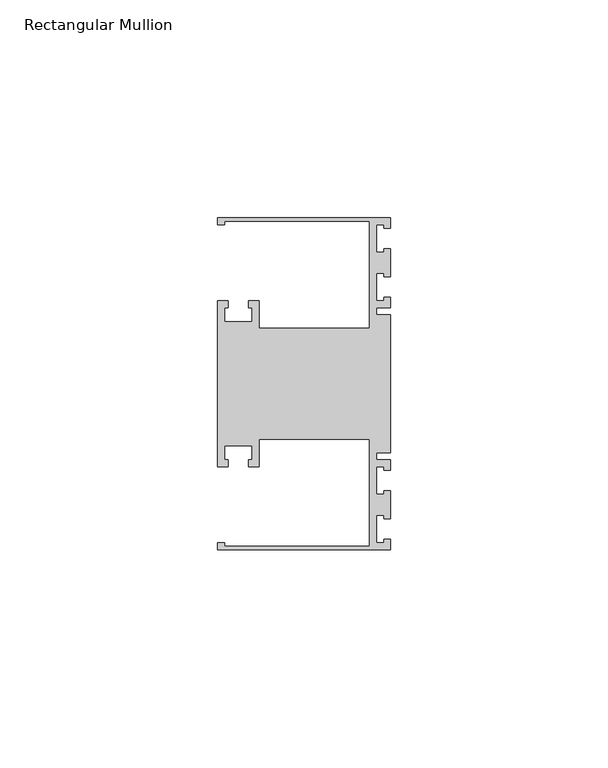
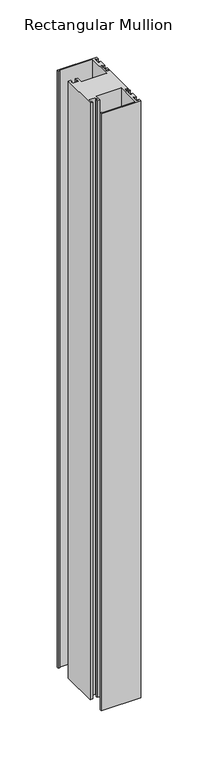
"""IFC4 building model written with IfcOpenShell, lengths in millimetres: member geometry, Rectangular Mullion."""

from ifc_helpers import new_model, si_unit, frame, origin, place, context, project, spatial, polyline, outline, extrude, source, transform, mapped, element, save


def rectangular_mullion_6b3e6c32(model_context):
    return source(origin(), model_context, "Body", "SweptSolid", [
        extrude(outline(polyline([(0.0, -38.1), (-39.6875, -38.1), (-39.6875, -36.5125), (-38.1, -36.5125), (-38.1, -37.30625), (-4.8585733, -37.30625), (-4.8585733, -12.6999969), (-30.1625, -12.6999969), (-30.1625, -19.05), (-32.54375, -19.05), (-32.54375, -17.4625), (-31.75, -17.4625), (-31.75, -14.2875), (-38.1, -14.2875), (-38.1, -17.4625), (-37.30625, -17.4625), (-37.30625, -19.05), (-39.6875, -19.05), (-39.6875, 19.05), (-37.30625, 19.05), (-37.30625, 17.4625), (-38.1, 17.4625), (-38.1, 14.2875), (-31.75, 14.2875), (-31.75, 17.4625), (-32.54375, 17.4625), (-32.54375, 19.05), (-30.1625, 19.05), (-30.1625, 12.6999969), (-4.8585733, 12.6999969), (-4.8585733, 37.30625), (-38.1, 37.30625), (-38.1, 36.5125), (-39.6875, 36.5125), (-39.6875, 38.1), (0.0, 38.1), (0.0, 35.71875), (-1.4999946, 35.71875), (-1.4999946, 36.5125), (-3.175, 36.5125), (-3.175, 30.1625), (-1.4999946, 30.1625), (-1.4999946, 30.95625), (0.0, 30.95625), (0.0, 24.60625), (-1.4999946, 24.60625), (-1.4999946, 25.4), (-3.175, 25.4), (-3.175, 19.05), (-1.4999946, 19.05), (-1.4999946, 19.84375), (0.0, 19.84375), (0.0, 17.4625), (-3.175, 17.4625), (-3.175, 15.875), (0.0, 15.875), (0.0, -15.875), (-3.175, -15.875), (-3.175, -17.4625), (0.0, -17.4625), (0.0, -19.84375), (-1.4999946, -19.84375), (-1.4999946, -19.05), (-3.175, -19.05), (-3.175, -25.4), (-1.4999946, -25.4), (-1.4999946, -24.60625), (0.0, -24.60625), (0.0, -30.95625), (-1.4999946, -30.95625), (-1.4999946, -30.1625), (-3.175, -30.1625), (-3.175, -36.5125), (-1.4999946, -36.5125), (-1.4999946, -35.71875), (0.0, -35.71875), (0.0, -38.1)])), frame((0.0, 0.0, -635.0), z_axis=(0.0, 0.0, 1.0), x_axis=(1.0, 0.0, 0.0)), (0.0, 0.0, 1.0), 635.0),
    ])


if __name__ == "__main__":
    model = new_model("IFC4")
    model_context = context("Model", 3, world=origin())
    ifc_project = project(units=[si_unit("LENGTHUNIT", "METRE", prefix="MILLI")], contexts=[model_context])
    site = spatial("IfcSite", under=ifc_project)
    building = spatial("IfcBuilding", under=site)
    placement = place(None, origin())
    rectangular_mullion_shape = rectangular_mullion_6b3e6c32(model_context)
    element("IfcMember", 1, ObjectType="Rectangular Mullion", at=placement, inside=building, context=model_context, shape_type="MappedRepresentation", body=[
        mapped(rectangular_mullion_shape, transform((0.0, 0.0, 0.0), x_axis=(1.0, 0.0, 0.0), y_axis=(0.0, 1.0, 0.0), z_axis=(0.0, 0.0, 1.0))),
    ])
    save(model, "model.ifc")
